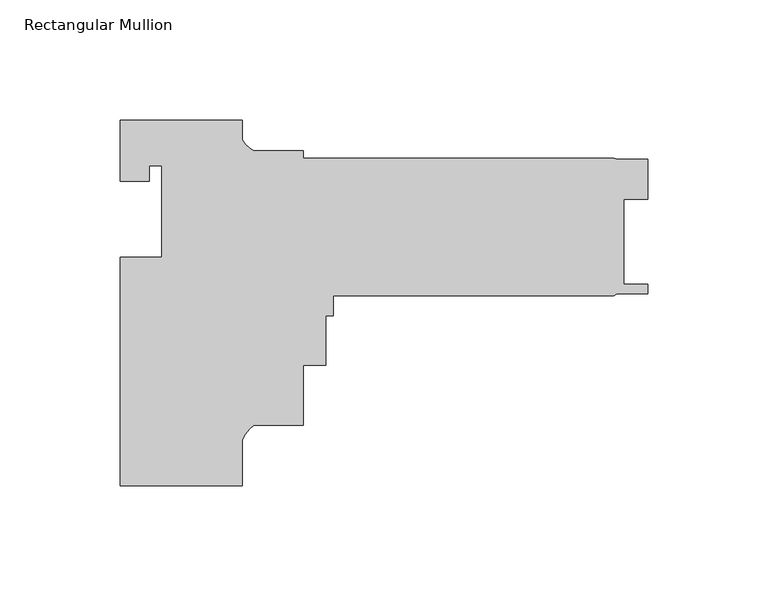
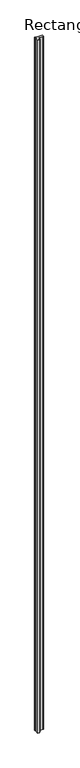
"""IFC4 building model written with IfcOpenShell, lengths in millimetres: member geometry, Rectangular Mullion."""

from ifc_helpers import new_model, si_unit, point, frame, frame_2d, origin, place, context, project, spatial, polyline, circle_curve, trimmed, segment, composite_curve, outline, extrude, source, transform, mapped, element, save


def rectangular_mullion_ce9fe2f9(model_context):
    return source(origin(), model_context, "Body", "SweptSolid", [
        extrude(outline(composite_curve([segment(polyline([(50.8, -165.1), (0.0, -165.1), (0.0, -69.85), (17.4498, -69.85), (17.4498, -31.75), (12.192, -31.75), (12.192, -38.1), (0.0, -38.1), (0.0, -12.7), (50.8, -12.7), (50.8, -20.9341168)]), True, "CONTINUOUS"), segment(trimmed(circle_curve(frame_2d((62.7094465, -12.906928)), 14.3621265), [point((50.8, -20.9341168))], [point((55.7723453, -25.4825911))], True, "CARTESIAN"), True, "CONTINUOUS"), segment(polyline([(55.7723453, -25.4825911), (76.1999898, -25.4825911), (76.1999898, -28.6575911), (205.5812398, -28.6575911), (207.4089978, -29.114791), (219.8560396, -29.114791), (219.8560396, -45.7771909), (209.8230398, -45.7771909), (209.8230398, -81.0450914), (219.8687398, -81.0450914), (219.8687398, -85.0138411), (207.0499589, -84.9596258), (205.5812398, -85.8075911), (88.8999898, -85.8075911), (88.8999898, -94.1133911), (85.7249898, -94.1133911), (85.7249898, -114.7381911), (76.1999898, -114.7381911), (76.1999898, -139.7825911), (55.6934851, -139.7825911)]), True, "CONTINUOUS"), segment(trimmed(circle_curve(frame_2d((64.9144624, -152.0639521)), 15.3576772), [point((55.6934851, -139.7825911))], [point((50.8, -146.0108371))], True, "CARTESIAN"), True, "CONTINUOUS"), segment(polyline([(50.8, -146.0108371), (50.8, -165.1)]), True, "CONTINUOUS")], self_intersect=False)), frame((0.0, 0.0, -21325.4152256), z_axis=(0.0, 0.0, 1.0), x_axis=(1.0, 0.0, 0.0)), (0.0, 0.0, 1.0), 21325.4152256),
    ])


if __name__ == "__main__":
    model = new_model("IFC4")
    model_context = context("Model", 3, world=origin())
    ifc_project = project(units=[si_unit("LENGTHUNIT", "METRE", prefix="MILLI")], contexts=[model_context])
    site = spatial("IfcSite", under=ifc_project)
    building = spatial("IfcBuilding", under=site)
    placement = place(None, origin())
    rectangular_mullion_shape = rectangular_mullion_ce9fe2f9(model_context)
    element("IfcMember", 1, ObjectType="Rectangular Mullion", at=placement, inside=building, context=model_context, shape_type="MappedRepresentation", body=[
        mapped(rectangular_mullion_shape, transform((0.0, 0.0, 0.0), x_axis=(1.0, 0.0, 0.0), y_axis=(0.0, 1.0, 0.0), z_axis=(0.0, 0.0, 1.0))),
    ])
    save(model, "model.ifc")
